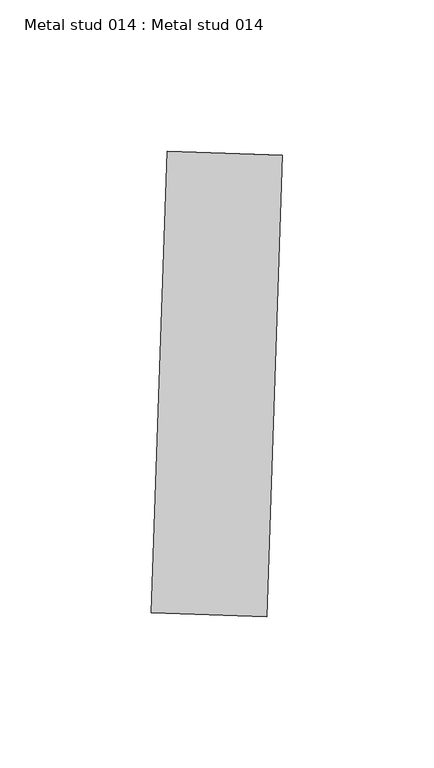
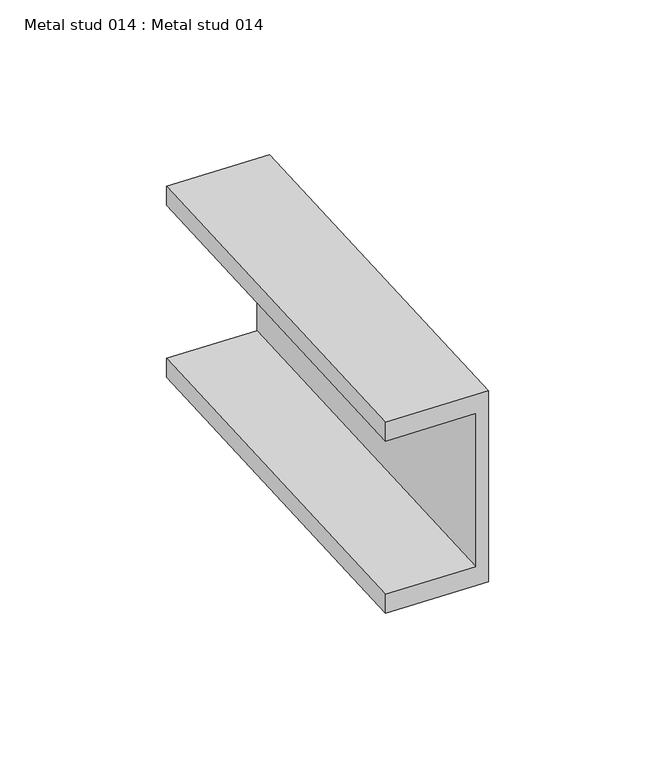
"""IFC4 building model written with IfcOpenShell, lengths in millimetres: proxy geometry, Metal stud 014 : Metal stud 014."""

import ifcopenshell
import ifcopenshell.guid

model = None  # the IFC model being written
_history = None  # IfcOwnerHistory: only IFC2X3 demands one
_inside = {}  # id of a spatial element -> (the spatial element, [elements in it])
_under = {}  # id of a project, library or spatial element -> (it, [spatial elements below it])
_declared = {}  # id of a project -> (the project, [libraries it declares])
_typed = {}  # id of a type object -> (the type object, [elements of that type])
_made_of = {}  # id of a material, layer set ... -> (it, [elements and type objects made of it])


def new_model(schema):
    """Start an empty IFC model of exactly this schema.

    Asked for "IFC4X3", IfcOpenShell would pick the latest addendum, in which some entities
    have other attributes; the version numbers below select the first issue.
    IFC2X3 requires an IfcOwnerHistory on every rooted entity: one is made here for all.
    """
    global model, _history
    if schema == "IFC4X3":
        model = ifcopenshell.file(schema_version=(4, 3, 0, 0))
    else:
        model = ifcopenshell.file(schema=schema)
    _inside.clear()
    _under.clear()
    _declared.clear()
    _typed.clear()
    _made_of.clear()
    _history = None
    if model.schema == "IFC2X3":
        org = make("IfcOrganization", Name="unknown")
        user = make(
            "IfcPersonAndOrganization",
            ThePerson=make("IfcPerson", FamilyName="unknown"),
            TheOrganization=org,
        )
        app = make(
            "IfcApplication",
            ApplicationDeveloper=org,
            Version="unknown",
            ApplicationFullName="unknown",
            ApplicationIdentifier="unknown",
        )
        _history = make(
            "IfcOwnerHistory",
            OwningUser=user,
            OwningApplication=app,
            ChangeAction="ADDED",
            CreationDate=0,
        )
    return model


def make(cls, **values):
    """One entity of the class cls with the attributes given. An attribute that is None is left unset."""
    return model.create_entity(
        cls, **{name: value for name, value in values.items() if value is not None}
    )


def rooted(cls, **values):
    """An entity with a GlobalId (a new one), such as an element, a storey or a relation."""
    return make(cls, GlobalId=ifcopenshell.guid.new(), OwnerHistory=_history, **values)


def si_unit(unit_type, name, prefix=None):
    """IfcSIUnit, for example si_unit("LENGTHUNIT", "METRE", prefix="MILLI")."""
    return make("IfcSIUnit", UnitType=unit_type, Prefix=prefix, Name=name)


def assignment(units):
    """IfcUnitAssignment: the units of a project."""
    return None if units is None else make("IfcUnitAssignment", Units=units)


def point(xyz):
    """IfcCartesianPoint."""
    return None if xyz is None else make("IfcCartesianPoint", Coordinates=xyz)


def direction(xyz):
    """IfcDirection."""
    return None if xyz is None else make("IfcDirection", DirectionRatios=xyz)


def frame(location, z_axis=None, x_axis=None):
    """IfcAxis2Placement3D, a coordinate frame: its origin and axes. An axis left out is left unset."""
    return make(
        "IfcAxis2Placement3D",
        Location=point(location),
        Axis=direction(z_axis),
        RefDirection=direction(x_axis),
    )


def origin():
    """The frame at (0, 0, 0) with its axes left unset."""
    return frame((0.0, 0.0, 0.0))


def place(relative_to, where):
    """IfcLocalPlacement: puts the frame where relative to a parent placement (None: the world)."""
    return make(
        "IfcLocalPlacement", PlacementRelTo=relative_to, RelativePlacement=where
    )


def context(
    kind, dimensions, precision=None, world=None, true_north=None, identifier=None
):
    """IfcGeometricRepresentationContext, for example the 3D "Model" context."""
    return make(
        "IfcGeometricRepresentationContext",
        ContextIdentifier=identifier,
        ContextType=kind,
        CoordinateSpaceDimension=dimensions,
        Precision=precision,
        WorldCoordinateSystem=world,
        TrueNorth=true_north,
    )


def project(units=None, contexts=None):
    """IfcProject with its units and contexts."""
    return rooted(
        "IfcProject",
        Name="project",
        RepresentationContexts=contexts,
        UnitsInContext=assignment(units),
    )


def spatial(cls, under=None, at=None, **own):
    """A site, building, storey or space (cls), placed at a placement, below another one or the project."""
    s = rooted(cls, ObjectPlacement=at, **own)
    if under is not None:
        _under.setdefault(under.id(), (under, []))[1].append(s)
    return s


def polyline(points):
    """IfcPolyline through the points."""
    return make("IfcPolyline", Points=[point(p) for p in points])


def outline(outer, holes=None, kind="AREA"):
    """IfcArbitraryClosedProfileDef: a profile drawn as a closed curve; with holes, ...WithVoids."""
    if holes is None:
        return make("IfcArbitraryClosedProfileDef", ProfileType=kind, OuterCurve=outer)
    return make(
        "IfcArbitraryProfileDefWithVoids",
        ProfileType=kind,
        OuterCurve=outer,
        InnerCurves=holes,
    )


def extrude(swept, where, along, depth):
    """IfcExtrudedAreaSolid: the profile swept, set in the frame where, extruded along a direction by depth."""
    return make(
        "IfcExtrudedAreaSolid",
        SweptArea=swept,
        Position=where,
        ExtrudedDirection=direction(along),
        Depth=depth,
    )


def shape(context_of_items, identifier, shape_type, items):
    """IfcShapeRepresentation: the items that make up one representation, for example the "Body"."""
    return make(
        "IfcShapeRepresentation",
        ContextOfItems=context_of_items,
        RepresentationIdentifier=identifier,
        RepresentationType=shape_type,
        Items=items,
    )


def source(mapping_origin, context_of_items, identifier, shape_type, items):
    """IfcRepresentationMap: a shape defined once, which mapped items show again and again."""
    return make(
        "IfcRepresentationMap",
        MappingOrigin=mapping_origin,
        MappedRepresentation=shape(context_of_items, identifier, shape_type, items),
    )


def transform(
    local_origin,
    x_axis=None,
    y_axis=None,
    z_axis=None,
    scale=None,
    scale2=None,
    scale3=None,
    uniform=True,
):
    """IfcCartesianTransformationOperator3D, or its non-uniform kind. x_axis, y_axis, z_axis: its Axis1, 2, 3."""
    if uniform:
        return make(
            "IfcCartesianTransformationOperator3D",
            Axis1=direction(x_axis),
            Axis2=direction(y_axis),
            LocalOrigin=point(local_origin),
            Scale=scale,
            Axis3=direction(z_axis),
        )
    return make(
        "IfcCartesianTransformationOperator3DnonUniform",
        Axis1=direction(x_axis),
        Axis2=direction(y_axis),
        LocalOrigin=point(local_origin),
        Scale=scale,
        Axis3=direction(z_axis),
        Scale2=scale2,
        Scale3=scale3,
    )


def mapped(mapping_source, mapping_target):
    """IfcMappedItem: shows the shape of a source again, moved by a transform."""
    return make(
        "IfcMappedItem", MappingSource=mapping_source, MappingTarget=mapping_target
    )


def made_of(thing, what):
    """Note that an element or type object is made of a material, layer set ...; save() writes the relation."""
    if what is not None:
        _made_of.setdefault(what.id(), (what, []))[1].append(thing)
    return thing


def element(
    cls,
    number,
    at=None,
    inside=None,
    cuts=None,
    type_object=None,
    material=None,
    context=None,
    identifier="Body",
    shape_type=None,
    held_by="IfcProductDefinitionShape",
    body=None,
    shapes=None,
    **own,
):
    """One element of the class cls, such as IfcWall. Its Tag is "e" and its number.

    at: its placement. inside: the storey or other place that contains it. cuts: it is an
    opening in that element (IfcRelVoidsElement). A single representation is given by context,
    identifier, shape_type and body (its items); several are given by shapes. held_by: the class
    of the entity that holds the representations. save() writes the other relations.
    """
    e = rooted(cls, Tag="e%d" % number, ObjectPlacement=at, **own)
    if body is not None:
        shapes = [shape(context, identifier, shape_type, body)]
    if shapes is not None:
        e.Representation = make(held_by, Representations=shapes)
    if inside is not None:
        _inside.setdefault(inside.id(), (inside, []))[1].append(e)
    if cuts is not None:
        rooted(
            "IfcRelVoidsElement", RelatingBuildingElement=cuts, RelatedOpeningElement=e
        )
    if type_object is not None:
        _typed.setdefault(type_object.id(), (type_object, []))[1].append(e)
    return made_of(e, material)


def aggregate(whole, parts):
    """IfcRelAggregates: a whole, such as a stair, and the parts it consists of."""
    return rooted("IfcRelAggregates", RelatingObject=whole, RelatedObjects=parts)


def save(model, path):
    """Write the relations noted so far, then the file.

    IfcRelAggregates (storeys below a building ...), IfcRelContainedInSpatialStructure (elements
    in a storey), IfcRelDefinesByType, IfcRelAssociatesMaterial and IfcRelDeclares: one each for
    every whole, place, type object, material and project.
    """
    for whole, parts in _under.values():
        aggregate(whole, parts)
    for where, things in _inside.values():
        rooted(
            "IfcRelContainedInSpatialStructure",
            RelatedElements=things,
            RelatingStructure=where,
        )
    for kind, things in _typed.values():
        rooted("IfcRelDefinesByType", RelatedObjects=things, RelatingType=kind)
    for what, things in _made_of.values():
        rooted("IfcRelAssociatesMaterial", RelatedObjects=things, RelatingMaterial=what)
    for by, libraries in _declared.values():
        rooted("IfcRelDeclares", RelatingContext=by, RelatedDefinitions=libraries)
    model.write(path)


def metal_stud_014_metal_stud_014_dbee8641(model_context):
    return source(origin(), model_context, "Body", "SweptSolid", [
        extrude(outline(polyline([(0.0, 0.0), (0.0, -76.2), (-38.1, -76.2), (-38.1, -68.7), (-4.5, -68.7), (-4.5, -7.5), (-38.1, -7.5), (-38.1, 0.0), (0.0, 0.0)])), frame((33592.670258, -15045.8778803, 3009.9), z_axis=(0.03420178183660745, 0.9994149479166304, 0.0), x_axis=(0.9994149479166304, -0.03420178183660745, 0.0)), (0.0, 0.0, 1.0), 152.4),
    ])


if __name__ == "__main__":
    model = new_model("IFC4")
    model_context = context("Model", 3, world=origin())
    ifc_project = project(units=[si_unit("LENGTHUNIT", "METRE", prefix="MILLI")], contexts=[model_context])
    site = spatial("IfcSite", under=ifc_project)
    building = spatial("IfcBuilding", under=site)
    placement = place(None, origin())
    metal_stud_014_metal_stud_014_shape = metal_stud_014_metal_stud_014_dbee8641(model_context)
    element("IfcBuildingElementProxy", 1, Name="Metal stud 014 : Metal stud 014", ObjectType="Metal stud 014 : Metal stud 014", at=placement, inside=building, context=model_context, shape_type="MappedRepresentation", body=[
        mapped(metal_stud_014_metal_stud_014_shape, transform((0.0, 0.0, 0.0), x_axis=(1.0, 0.0, 0.0), y_axis=(0.0, 1.0, 0.0), z_axis=(0.0, 0.0, 1.0))),
    ])
    save(model, "model.ifc")
